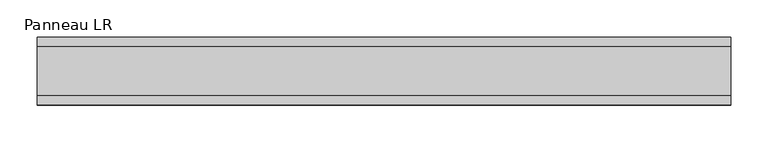
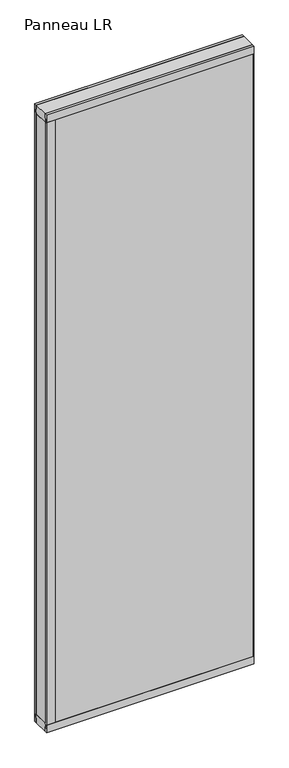
"""IFC4 building model written with IfcOpenShell, lengths in millimetres: plate geometry, Panneau LR."""

from ifc_helpers import new_model, si_unit, frame, origin, origin_with_axes, place, context, project, spatial, polyline, outline, extrude, source, transform, mapped, element, save


def panneau_lr_5ba02536(model_context):
    return source(origin(), model_context, "Body", "SweptSolid", [
        extrude(outline(polyline([(33.0, 2910.0), (45.0, 2910.0), (45.0, 2875.0), (43.8, 2875.0), (43.8, 2890.0), (33.0, 2890.0), (33.0, 2910.0)])), frame((-462.7520247, 0.0, 0.0), z_axis=(1.0, 0.0, 0.0), x_axis=(0.0, 1.0, 0.0)), (0.0, 0.0, 1.0), 925.5040494),
        extrude(outline(polyline([(-45.0, 2875.0), (-45.0, 2910.0), (-33.0, 2910.0), (-33.0, 2890.0), (-43.8, 2890.0), (-43.8, 2875.0), (-45.0, 2875.0)])), frame((-462.7520247, 0.0, 0.0), z_axis=(1.0, 0.0, 0.0), x_axis=(0.0, 1.0, 0.0)), (0.0, 0.0, 1.0), 925.5040494),
        extrude(outline(polyline([(-422.7520247, 33.0), (-422.7520247, -33.0), (-462.7520247, -33.0), (-462.7520247, 33.0), (-422.7520247, 33.0)])), frame((0.0, 0.0, 40.0), z_axis=(0.0, 0.0, 1.0), x_axis=(1.0, 0.0, 0.0)), (0.0, 0.0, 1.0), 2830.0),
        extrude(outline(polyline([(462.7520247, 43.8), (462.7520247, 37.8), (460.7520247, 37.8), (460.7520247, 43.8), (462.7520247, 43.8)])), frame((0.0, 0.0, 20.0), z_axis=(0.0, 0.0, 1.0), x_axis=(1.0, 0.0, 0.0)), (0.0, 0.0, 1.0), 2870.0),
        extrude(outline(polyline([(462.7520247, -37.8), (462.7520247, -43.8), (460.7520247, -43.8), (460.7520247, -37.8), (462.7520247, -37.8)])), frame((0.0, 0.0, 20.0), z_axis=(0.0, 0.0, 1.0), x_axis=(1.0, 0.0, 0.0)), (0.0, 0.0, 1.0), 2870.0),
        extrude(outline(polyline([(-462.7520247, 45.0), (-424.1520247, 45.0), (-424.1520247, 43.8), (-439.1520247, 43.8), (-439.1520247, 33.0), (-462.7520247, 33.0), (-462.7520247, 45.0)])), frame((0.0, 0.0, 35.0), z_axis=(0.0, 0.0, 1.0), x_axis=(1.0, 0.0, 0.0)), (0.0, 0.0, 1.0), 2840.0),
        extrude(outline(polyline([(-462.7520247, -45.0), (-462.7520247, -33.0), (-439.1520247, -33.0), (-439.1520247, -43.8), (-424.1520247, -43.8), (-424.1520247, -45.0), (-462.7520247, -45.0)])), frame((0.0, 0.0, 35.0), z_axis=(0.0, 0.0, 1.0), x_axis=(1.0, 0.0, 0.0)), (0.0, 0.0, 1.0), 2840.0),
        extrude(outline(polyline([(33.0, 0.0), (33.0, 20.0), (43.8, 20.0), (43.8, 35.0), (45.0, 35.0), (45.0, 0.0), (33.0, 0.0)])), frame((-462.7520247, 0.0, 0.0), z_axis=(1.0, 0.0, 0.0), x_axis=(0.0, 1.0, 0.0)), (0.0, 0.0, 1.0), 925.5040494),
        extrude(outline(polyline([(-45.0, 35.0), (-43.8, 35.0), (-43.8, 20.0), (-33.0, 20.0), (-33.0, 0.0), (-45.0, 0.0), (-45.0, 35.0)])), frame((-462.7520247, 0.0, 0.0), z_axis=(1.0, 0.0, 0.0), x_axis=(0.0, 1.0, 0.0)), (0.0, 0.0, 1.0), 925.5040494),
        extrude(outline(polyline([(462.7520247, -33.0), (-462.7520247, -33.0), (-462.7520247, 33.0), (462.7520247, 33.0), (462.7520247, -33.0)])), frame((0.0, 0.0, 2870.0), z_axis=(0.0, 0.0, 1.0), x_axis=(1.0, 0.0, 0.0)), (0.0, 0.0, 1.0), 40.0),
        extrude(outline(polyline([(462.7520247, -33.0), (-462.7520247, -33.0), (-462.7520247, 33.0), (462.7520247, 33.0), (462.7520247, -33.0)])), origin_with_axes(), (0.0, 0.0, 1.0), 40.0),
        extrude(outline(polyline([(460.7520247, 37.8), (-454.7520247, 37.8), (-454.7520247, 43.8), (460.7520247, 43.8), (460.7520247, 37.8)])), frame((0.0, 0.0, 20.0), z_axis=(0.0, 0.0, 1.0), x_axis=(1.0, 0.0, 0.0)), (0.0, 0.0, 1.0), 2870.0),
        extrude(outline(polyline([(-454.7520247, -43.8), (-454.7520247, -37.8), (460.7520247, -37.8), (460.7520247, -43.8), (-454.7520247, -43.8)])), frame((0.0, 0.0, 20.0), z_axis=(0.0, 0.0, 1.0), x_axis=(1.0, 0.0, 0.0)), (0.0, 0.0, 1.0), 2870.0),
    ])


if __name__ == "__main__":
    model = new_model("IFC4")
    model_context = context("Model", 3, world=origin())
    ifc_project = project(units=[si_unit("LENGTHUNIT", "METRE", prefix="MILLI")], contexts=[model_context])
    site = spatial("IfcSite", under=ifc_project)
    building = spatial("IfcBuilding", under=site)
    placement = place(None, origin())
    panneau_lr_shape = panneau_lr_5ba02536(model_context)
    element("IfcPlate", 1, ObjectType="Panneau LR", at=placement, inside=building, context=model_context, shape_type="MappedRepresentation", body=[
        mapped(panneau_lr_shape, transform((0.0, 0.0, 0.0), x_axis=(1.0, 0.0, 0.0), y_axis=(0.0, 1.0, 0.0), z_axis=(0.0, 0.0, 1.0))),
    ])
    save(model, "model.ifc")
